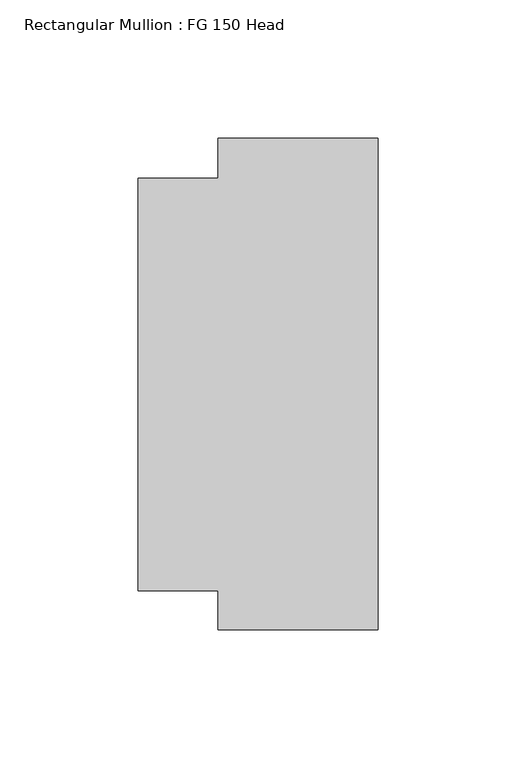
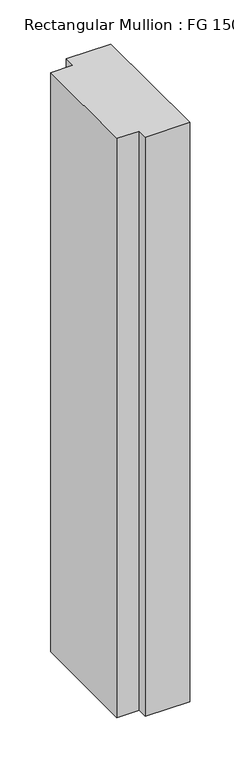
"""IFC4 building model written with IfcOpenShell, lengths in millimetres: member geometry, Rectangular Mullion : FG 150 Head."""

from ifc_helpers import new_model, si_unit, frame, origin, place, context, project, spatial, polyline, outline, extrude, source, transform, mapped, element, save


def rectangular_mullion_fg_150_head_a9258ce8(model_context):
    return source(origin(), model_context, "Body", "SweptSolid", [
        extrude(outline(polyline([(0.0, -88.9972639), (-58.0, -88.9972639), (-58.0, -74.9972639), (-87.0, -74.9972639), (-87.0, 74.5027361), (-58.0, 74.5027361), (-58.0, 89.0027361), (0.0, 89.0027361), (0.0, -88.9972639)])), frame((0.0, 0.0, -799.0919081), z_axis=(0.0, 0.0, 1.0), x_axis=(1.0, 0.0, 0.0)), (0.0, 0.0, 1.0), 799.0919081),
    ])


if __name__ == "__main__":
    model = new_model("IFC4")
    model_context = context("Model", 3, world=origin())
    ifc_project = project(units=[si_unit("LENGTHUNIT", "METRE", prefix="MILLI")], contexts=[model_context])
    site = spatial("IfcSite", under=ifc_project)
    building = spatial("IfcBuilding", under=site)
    placement = place(None, origin())
    rectangular_mullion_fg_150_head_shape = rectangular_mullion_fg_150_head_a9258ce8(model_context)
    element("IfcMember", 1, ObjectType="Rectangular Mullion : FG 150 Head", at=placement, inside=building, context=model_context, shape_type="MappedRepresentation", body=[
        mapped(rectangular_mullion_fg_150_head_shape, transform((0.0, 0.0, 0.0), x_axis=(1.0, 0.0, 0.0), y_axis=(0.0, 1.0, 0.0), z_axis=(0.0, 0.0, 1.0))),
    ])
    save(model, "model.ifc")
